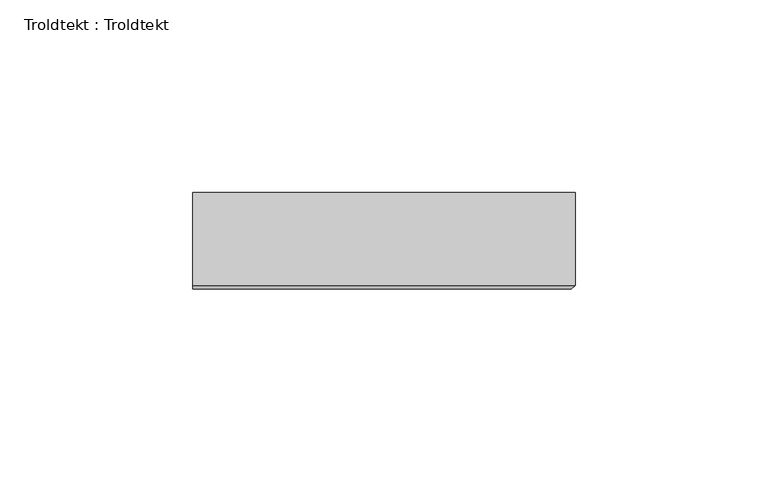
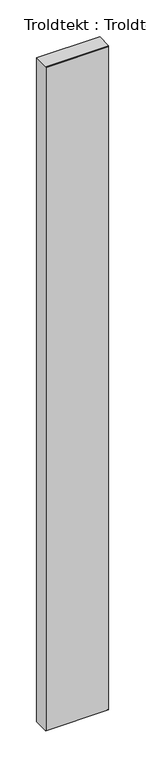
"""IFC4 building model written with IfcOpenShell, lengths in millimetres: proxy geometry, Troldtekt : Troldtekt."""

from ifc_helpers import new_model, si_unit, origin, place, context, project, spatial, faceted_brep, source, transform, mapped, element, save


def troldtekt_troldtekt_e409fa42(model_context):
    return source(origin(), model_context, "Body", "Brep", [
        faceted_brep([(201.0, 12.5, 1099.9999997), (201.0, -11.495044, 1099.9999997), (300.0, -11.495044, 1099.9999997), (300.0, 12.5, 1099.9999997), (300.0, 12.5, 0.0), (300.0, -11.495044, 0.0), (201.0, -11.495044, 0.0), (201.0, 12.5, 0.0), (201.0, -12.5, 1.004956), (298.995044, -12.5, 1.004956), (298.995044, -12.5, 1098.9950437), (201.0, -12.5, 1098.9950437)], [[[0, 1, 2, 3]], [[4, 5, 6, 7]], [[8, 9, 10, 11]], [[4, 7, 0, 3]], [[3, 2, 5, 4]], [[9, 8, 6, 5]], [[5, 2, 10, 9]], [[2, 1, 11, 10]], [[7, 6, 8, 11, 1, 0]]]),
    ])


if __name__ == "__main__":
    model = new_model("IFC4")
    model_context = context("Model", 3, world=origin())
    ifc_project = project(units=[si_unit("LENGTHUNIT", "METRE", prefix="MILLI")], contexts=[model_context])
    site = spatial("IfcSite", under=ifc_project)
    building = spatial("IfcBuilding", under=site)
    placement = place(None, origin())
    troldtekt_troldtekt_shape = troldtekt_troldtekt_e409fa42(model_context)
    element("IfcBuildingElementProxy", 1, Name="Troldtekt : Troldtekt", ObjectType="Troldtekt : Troldtekt", at=placement, inside=building, context=model_context, shape_type="MappedRepresentation", body=[
        mapped(troldtekt_troldtekt_shape, transform((0.0, 0.0, 0.0), x_axis=(1.0, 0.0, 0.0), y_axis=(0.0, 1.0, 0.0), z_axis=(0.0, 0.0, 1.0))),
    ])
    save(model, "model.ifc")
